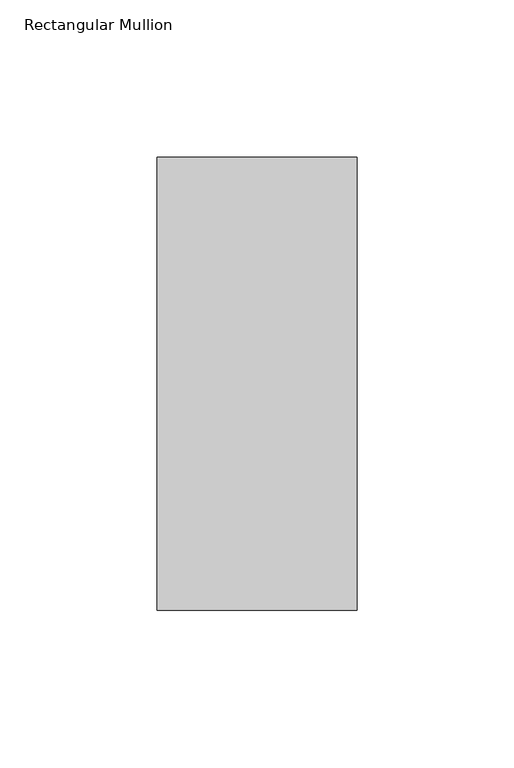
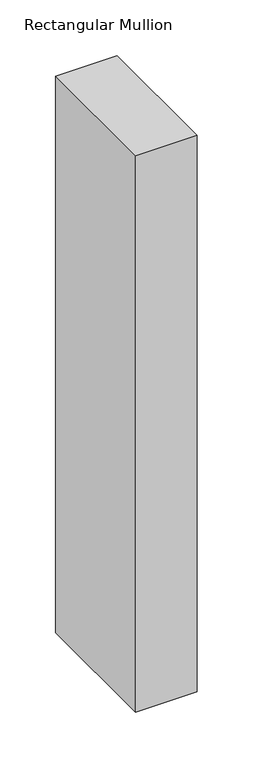
"""IFC4 building model written with IfcOpenShell, lengths in millimetres: member geometry, Rectangular Mullion."""

from ifc_helpers import new_model, si_unit, frame, origin, place, context, project, spatial, polyline, outline, extrude, source, transform, mapped, element, save


def rectangular_mullion_82bd5666(model_context):
    return source(origin(), model_context, "Body", "SweptSolid", [
        extrude(outline(polyline([(-63.4999996, 190.7881312), (4e-07, 190.7881312), (4e-07, 46.7447302), (-63.4999996, 46.7447302), (-63.4999996, 190.7881312)])), frame((0.0, 0.0, -609.6), z_axis=(0.0, 0.0, 1.0), x_axis=(1.0, 0.0, 0.0)), (0.0, 0.0, 1.0), 609.6),
    ])


if __name__ == "__main__":
    model = new_model("IFC4")
    model_context = context("Model", 3, world=origin())
    ifc_project = project(units=[si_unit("LENGTHUNIT", "METRE", prefix="MILLI")], contexts=[model_context])
    site = spatial("IfcSite", under=ifc_project)
    building = spatial("IfcBuilding", under=site)
    placement = place(None, origin())
    rectangular_mullion_shape = rectangular_mullion_82bd5666(model_context)
    element("IfcMember", 1, ObjectType="Rectangular Mullion", at=placement, inside=building, context=model_context, shape_type="MappedRepresentation", body=[
        mapped(rectangular_mullion_shape, transform((0.0, 0.0, 0.0), x_axis=(1.0, 0.0, 0.0), y_axis=(0.0, 1.0, 0.0), z_axis=(0.0, 0.0, 1.0))),
    ])
    save(model, "model.ifc")
